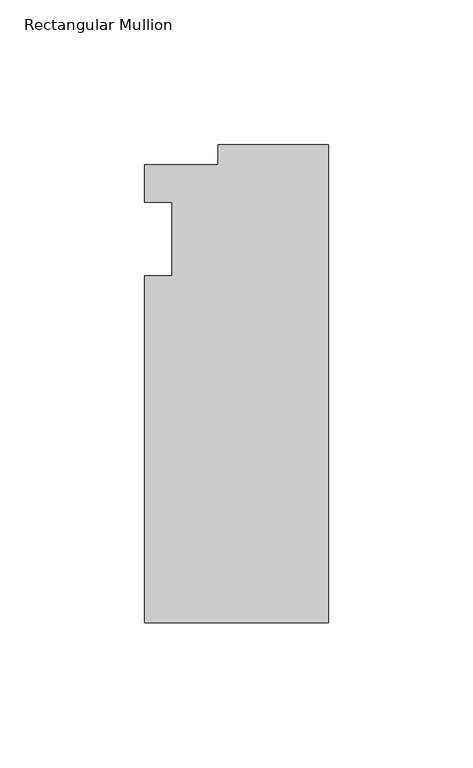
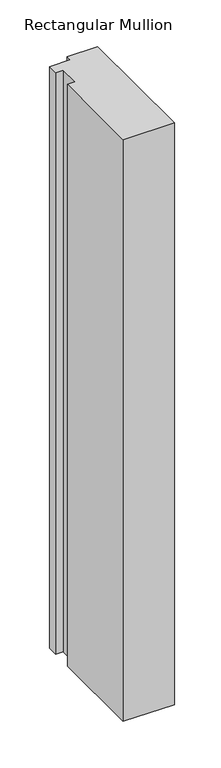
"""IFC4 building model written with IfcOpenShell, lengths in millimetres: member geometry, Rectangular Mullion."""

from ifc_helpers import new_model, si_unit, frame, origin, place, context, project, spatial, polyline, outline, extrude, source, transform, mapped, element, save


def rectangular_mullion_d8b788ae(model_context):
    return source(origin(), model_context, "Body", "SweptSolid", [
        extrude(outline(polyline([(-38.1, 32.54375), (0.0, 32.54375), (0.0, -132.55625), (-63.5, -132.55625), (-63.5, -12.7), (-53.975, -12.7), (-53.975, 12.7), (-63.5, 12.7), (-63.5, 25.58415), (-38.1, 25.58415), (-38.1, 32.54375)])), frame((0.0, 0.0, -762.9514763), z_axis=(0.0, 0.0, 1.0), x_axis=(1.0, 0.0, 0.0)), (0.0, 0.0, 1.0), 762.9514763),
    ])


if __name__ == "__main__":
    model = new_model("IFC4")
    model_context = context("Model", 3, world=origin())
    ifc_project = project(units=[si_unit("LENGTHUNIT", "METRE", prefix="MILLI")], contexts=[model_context])
    site = spatial("IfcSite", under=ifc_project)
    building = spatial("IfcBuilding", under=site)
    placement = place(None, origin())
    rectangular_mullion_shape = rectangular_mullion_d8b788ae(model_context)
    element("IfcMember", 1, ObjectType="Rectangular Mullion", at=placement, inside=building, context=model_context, shape_type="MappedRepresentation", body=[
        mapped(rectangular_mullion_shape, transform((0.0, 0.0, 0.0), x_axis=(1.0, 0.0, 0.0), y_axis=(0.0, 1.0, 0.0), z_axis=(0.0, 0.0, 1.0))),
    ])
    save(model, "model.ifc")
